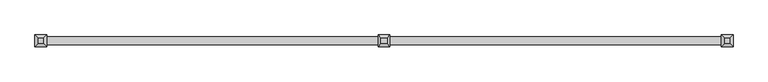
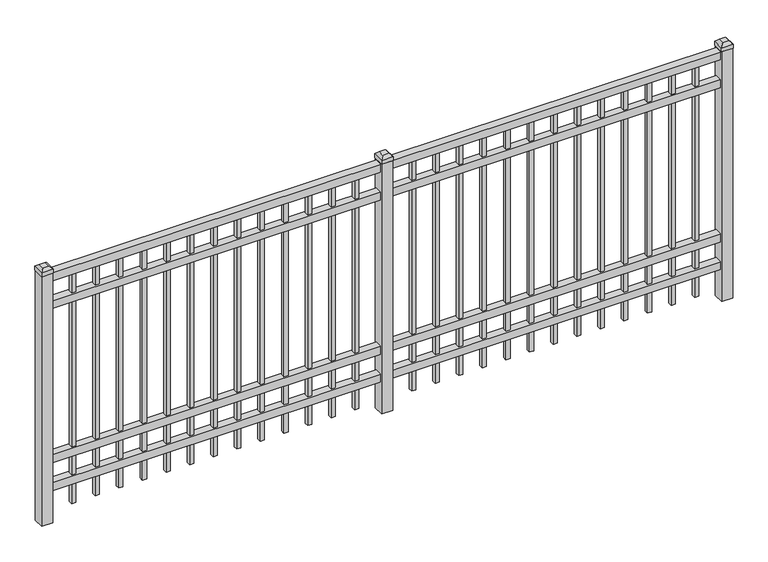
"""IFC4 building model written with IfcOpenShell, lengths in millimetres: railing geometry."""

from ifc_helpers import new_model, si_unit, frame, origin, origin_with_axes, place, context, project, spatial, polyline, outline, extrude, faceted_brep, source, transform, mapped, element, save


def railing_17bbb3de(model_context):
    return source(origin(), model_context, "Body", "SolidModel", [
        extrude(outline(polyline([(-79633.318087, -6748.7195174), (-79633.318087, -6713.7945174), (-76483.718087, -6713.7945174), (-76483.718087, -6748.7195174), (-79633.318087, -6748.7195174)])), frame((0.0, 0.0, 1181.1), z_axis=(0.0, 0.0, 1.0), x_axis=(1.0, 0.0, 0.0)), (0.0, 0.0, 1.0), 38.1),
        extrude(outline(polyline([(-79633.318087, -6748.7195174), (-79633.318087, -6713.7945174), (-76483.718087, -6713.7945174), (-76483.718087, -6748.7195174), (-79633.318087, -6748.7195174)])), frame((0.0, 0.0, 1044.575), z_axis=(0.0, 0.0, 1.0), x_axis=(1.0, 0.0, 0.0)), (0.0, 0.0, 1.0), 38.1),
        extrude(outline(polyline([(-79633.318087, -6748.7195174), (-79633.318087, -6713.7945174), (-76483.718087, -6713.7945174), (-76483.718087, -6748.7195174), (-79633.318087, -6748.7195174)])), frame((0.0, 0.0, 288.925), z_axis=(0.0, 0.0, 1.0), x_axis=(1.0, 0.0, 0.0)), (0.0, 0.0, 1.0), 38.1),
        extrude(outline(polyline([(-79633.318087, -6748.7195174), (-79633.318087, -6713.7945174), (-76483.718087, -6713.7945174), (-76483.718087, -6748.7195174), (-79633.318087, -6748.7195174)])), frame((0.0, 0.0, 152.4), z_axis=(0.0, 0.0, 1.0), x_axis=(1.0, 0.0, 0.0)), (0.0, 0.0, 1.0), 38.1),
        extrude(outline(polyline([(-76715.2285036, -6721.7320174), (-76715.2285036, -6740.7820174), (-76734.2785036, -6740.7820174), (-76734.2785036, -6721.7320174), (-76715.2285036, -6721.7320174)])), frame((0.0, 0.0, 50.8), z_axis=(0.0, 0.0, 1.0), x_axis=(1.0, 0.0, 0.0)), (0.0, 0.0, 1.0), 1130.3),
        extrude(outline(polyline([(-76824.5014203, -6721.7320174), (-76824.5014203, -6740.7820174), (-76843.5514203, -6740.7820174), (-76843.5514203, -6721.7320174), (-76824.5014203, -6721.7320174)])), frame((0.0, 0.0, 50.8), z_axis=(0.0, 0.0, 1.0), x_axis=(1.0, 0.0, 0.0)), (0.0, 0.0, 1.0), 1130.3),
        extrude(outline(polyline([(-76933.774337, -6721.7320174), (-76933.774337, -6740.7820174), (-76952.824337, -6740.7820174), (-76952.824337, -6721.7320174), (-76933.774337, -6721.7320174)])), frame((0.0, 0.0, 50.8), z_axis=(0.0, 0.0, 1.0), x_axis=(1.0, 0.0, 0.0)), (0.0, 0.0, 1.0), 1130.3),
        extrude(outline(polyline([(-77043.0472536, -6721.7320174), (-77043.0472536, -6740.7820174), (-77062.0972536, -6740.7820174), (-77062.0972536, -6721.7320174), (-77043.0472536, -6721.7320174)])), frame((0.0, 0.0, 50.8), z_axis=(0.0, 0.0, 1.0), x_axis=(1.0, 0.0, 0.0)), (0.0, 0.0, 1.0), 1130.3),
        extrude(outline(polyline([(-77152.3201703, -6721.7320174), (-77152.3201703, -6740.7820174), (-77171.3701703, -6740.7820174), (-77171.3701703, -6721.7320174), (-77152.3201703, -6721.7320174)])), frame((0.0, 0.0, 50.8), z_axis=(0.0, 0.0, 1.0), x_axis=(1.0, 0.0, 0.0)), (0.0, 0.0, 1.0), 1130.3),
        extrude(outline(polyline([(-77261.593087, -6721.7320174), (-77261.593087, -6740.7820174), (-77280.643087, -6740.7820174), (-77280.643087, -6721.7320174), (-77261.593087, -6721.7320174)])), frame((0.0, 0.0, 50.8), z_axis=(0.0, 0.0, 1.0), x_axis=(1.0, 0.0, 0.0)), (0.0, 0.0, 1.0), 1130.3),
        extrude(outline(polyline([(-77370.8660036, -6721.7320174), (-77370.8660036, -6740.7820174), (-77389.9160036, -6740.7820174), (-77389.9160036, -6721.7320174), (-77370.8660036, -6721.7320174)])), frame((0.0, 0.0, 50.8), z_axis=(0.0, 0.0, 1.0), x_axis=(1.0, 0.0, 0.0)), (0.0, 0.0, 1.0), 1130.3),
        extrude(outline(polyline([(-77480.1389203, -6721.7320174), (-77480.1389203, -6740.7820174), (-77499.1889203, -6740.7820174), (-77499.1889203, -6721.7320174), (-77480.1389203, -6721.7320174)])), frame((0.0, 0.0, 50.8), z_axis=(0.0, 0.0, 1.0), x_axis=(1.0, 0.0, 0.0)), (0.0, 0.0, 1.0), 1130.3),
        extrude(outline(polyline([(-77589.411837, -6721.7320174), (-77589.411837, -6740.7820174), (-77608.461837, -6740.7820174), (-77608.461837, -6721.7320174), (-77589.411837, -6721.7320174)])), frame((0.0, 0.0, 50.8), z_axis=(0.0, 0.0, 1.0), x_axis=(1.0, 0.0, 0.0)), (0.0, 0.0, 1.0), 1130.3),
        extrude(outline(polyline([(-77698.6847536, -6721.7320174), (-77698.6847536, -6740.7820174), (-77717.7347536, -6740.7820174), (-77717.7347536, -6721.7320174), (-77698.6847536, -6721.7320174)])), frame((0.0, 0.0, 50.8), z_axis=(0.0, 0.0, 1.0), x_axis=(1.0, 0.0, 0.0)), (0.0, 0.0, 1.0), 1130.3),
        extrude(outline(polyline([(-77807.9576703, -6721.7320174), (-77807.9576703, -6740.7820174), (-77827.0076703, -6740.7820174), (-77827.0076703, -6721.7320174), (-77807.9576703, -6721.7320174)])), frame((0.0, 0.0, 50.8), z_axis=(0.0, 0.0, 1.0), x_axis=(1.0, 0.0, 0.0)), (0.0, 0.0, 1.0), 1130.3),
        extrude(outline(polyline([(-76605.955587, -6721.7320174), (-76605.955587, -6740.7820174), (-76625.005587, -6740.7820174), (-76625.005587, -6721.7320174), (-76605.955587, -6721.7320174)])), frame((0.0, 0.0, 50.8), z_axis=(0.0, 0.0, 1.0), x_axis=(1.0, 0.0, 0.0)), (0.0, 0.0, 1.0), 1130.3),
        extrude(outline(polyline([(-77917.230587, -6721.7320174), (-77917.230587, -6740.7820174), (-77936.280587, -6740.7820174), (-77936.280587, -6721.7320174), (-77917.230587, -6721.7320174)])), frame((0.0, 0.0, 50.8), z_axis=(0.0, 0.0, 1.0), x_axis=(1.0, 0.0, 0.0)), (0.0, 0.0, 1.0), 1130.3),
        extrude(outline(polyline([(-78033.118087, -6705.8570174), (-78033.118087, -6756.6570174), (-78083.918087, -6756.6570174), (-78083.918087, -6705.8570174), (-78033.118087, -6705.8570174)])), origin_with_axes(), (0.0, 0.0, 1.0), 1225.55),
        faceted_brep([(-78085.505587, -6704.2695174, 1244.6), (-78085.505587, -6704.2695174, 1225.55), (-78085.505587, -6758.2445174, 1225.55), (-78085.505587, -6758.2445174, 1244.6), (-78072.805587, -6716.9695174, 1257.3), (-78072.805587, -6745.5445174, 1257.3), (-78031.530587, -6758.2445174, 1225.55), (-78031.530587, -6758.2445174, 1244.6), (-78044.230587, -6745.5445174, 1257.3), (-78031.530587, -6704.2695174, 1225.55), (-78031.530587, -6704.2695174, 1244.6), (-78044.230587, -6716.9695174, 1257.3)], [[[0, 1, 2, 3]], [[4, 0, 3, 5]], [[3, 2, 6, 7]], [[5, 3, 7, 8]], [[7, 6, 9, 10]], [[8, 7, 10, 11]], [[10, 9, 1, 0]], [[11, 10, 0, 4]], [[5, 8, 11, 4]], [[1, 9, 6, 2]]]),
        extrude(outline(polyline([(-78290.0285036, -6721.7320174), (-78290.0285036, -6740.7820174), (-78309.0785036, -6740.7820174), (-78309.0785036, -6721.7320174), (-78290.0285036, -6721.7320174)])), frame((0.0, 0.0, 50.8), z_axis=(0.0, 0.0, 1.0), x_axis=(1.0, 0.0, 0.0)), (0.0, 0.0, 1.0), 1130.3),
        extrude(outline(polyline([(-78399.3014203, -6721.7320174), (-78399.3014203, -6740.7820174), (-78418.3514203, -6740.7820174), (-78418.3514203, -6721.7320174), (-78399.3014203, -6721.7320174)])), frame((0.0, 0.0, 50.8), z_axis=(0.0, 0.0, 1.0), x_axis=(1.0, 0.0, 0.0)), (0.0, 0.0, 1.0), 1130.3),
        extrude(outline(polyline([(-78508.574337, -6721.7320174), (-78508.574337, -6740.7820174), (-78527.624337, -6740.7820174), (-78527.624337, -6721.7320174), (-78508.574337, -6721.7320174)])), frame((0.0, 0.0, 50.8), z_axis=(0.0, 0.0, 1.0), x_axis=(1.0, 0.0, 0.0)), (0.0, 0.0, 1.0), 1130.3),
        extrude(outline(polyline([(-78617.8472536, -6721.7320174), (-78617.8472536, -6740.7820174), (-78636.8972536, -6740.7820174), (-78636.8972536, -6721.7320174), (-78617.8472536, -6721.7320174)])), frame((0.0, 0.0, 50.8), z_axis=(0.0, 0.0, 1.0), x_axis=(1.0, 0.0, 0.0)), (0.0, 0.0, 1.0), 1130.3),
        extrude(outline(polyline([(-78727.1201703, -6721.7320174), (-78727.1201703, -6740.7820174), (-78746.1701703, -6740.7820174), (-78746.1701703, -6721.7320174), (-78727.1201703, -6721.7320174)])), frame((0.0, 0.0, 50.8), z_axis=(0.0, 0.0, 1.0), x_axis=(1.0, 0.0, 0.0)), (0.0, 0.0, 1.0), 1130.3),
        extrude(outline(polyline([(-78836.393087, -6721.7320174), (-78836.393087, -6740.7820174), (-78855.443087, -6740.7820174), (-78855.443087, -6721.7320174), (-78836.393087, -6721.7320174)])), frame((0.0, 0.0, 50.8), z_axis=(0.0, 0.0, 1.0), x_axis=(1.0, 0.0, 0.0)), (0.0, 0.0, 1.0), 1130.3),
        extrude(outline(polyline([(-78945.6660036, -6721.7320174), (-78945.6660036, -6740.7820174), (-78964.7160036, -6740.7820174), (-78964.7160036, -6721.7320174), (-78945.6660036, -6721.7320174)])), frame((0.0, 0.0, 50.8), z_axis=(0.0, 0.0, 1.0), x_axis=(1.0, 0.0, 0.0)), (0.0, 0.0, 1.0), 1130.3),
        extrude(outline(polyline([(-79054.9389203, -6721.7320174), (-79054.9389203, -6740.7820174), (-79073.9889203, -6740.7820174), (-79073.9889203, -6721.7320174), (-79054.9389203, -6721.7320174)])), frame((0.0, 0.0, 50.8), z_axis=(0.0, 0.0, 1.0), x_axis=(1.0, 0.0, 0.0)), (0.0, 0.0, 1.0), 1130.3),
        extrude(outline(polyline([(-79164.211837, -6721.7320174), (-79164.211837, -6740.7820174), (-79183.261837, -6740.7820174), (-79183.261837, -6721.7320174), (-79164.211837, -6721.7320174)])), frame((0.0, 0.0, 50.8), z_axis=(0.0, 0.0, 1.0), x_axis=(1.0, 0.0, 0.0)), (0.0, 0.0, 1.0), 1130.3),
        extrude(outline(polyline([(-79273.4847536, -6721.7320174), (-79273.4847536, -6740.7820174), (-79292.5347536, -6740.7820174), (-79292.5347536, -6721.7320174), (-79273.4847536, -6721.7320174)])), frame((0.0, 0.0, 50.8), z_axis=(0.0, 0.0, 1.0), x_axis=(1.0, 0.0, 0.0)), (0.0, 0.0, 1.0), 1130.3),
        extrude(outline(polyline([(-79382.7576703, -6721.7320174), (-79382.7576703, -6740.7820174), (-79401.8076703, -6740.7820174), (-79401.8076703, -6721.7320174), (-79382.7576703, -6721.7320174)])), frame((0.0, 0.0, 50.8), z_axis=(0.0, 0.0, 1.0), x_axis=(1.0, 0.0, 0.0)), (0.0, 0.0, 1.0), 1130.3),
        extrude(outline(polyline([(-78180.755587, -6721.7320174), (-78180.755587, -6740.7820174), (-78199.805587, -6740.7820174), (-78199.805587, -6721.7320174), (-78180.755587, -6721.7320174)])), frame((0.0, 0.0, 50.8), z_axis=(0.0, 0.0, 1.0), x_axis=(1.0, 0.0, 0.0)), (0.0, 0.0, 1.0), 1130.3),
        extrude(outline(polyline([(-79492.030587, -6721.7320174), (-79492.030587, -6740.7820174), (-79511.080587, -6740.7820174), (-79511.080587, -6721.7320174), (-79492.030587, -6721.7320174)])), frame((0.0, 0.0, 50.8), z_axis=(0.0, 0.0, 1.0), x_axis=(1.0, 0.0, 0.0)), (0.0, 0.0, 1.0), 1130.3),
        extrude(outline(polyline([(-76458.318087, -6705.8570174), (-76458.318087, -6756.6570174), (-76509.118087, -6756.6570174), (-76509.118087, -6705.8570174), (-76458.318087, -6705.8570174)])), origin_with_axes(), (0.0, 0.0, 1.0), 1225.55),
        faceted_brep([(-76510.705587, -6704.2695174, 1244.6), (-76510.705587, -6704.2695174, 1225.55), (-76510.705587, -6758.2445174, 1225.55), (-76510.705587, -6758.2445174, 1244.6), (-76498.005587, -6716.9695174, 1257.3), (-76498.005587, -6745.5445174, 1257.3), (-76456.730587, -6758.2445174, 1225.55), (-76456.730587, -6758.2445174, 1244.6), (-76469.430587, -6745.5445174, 1257.3), (-76456.730587, -6704.2695174, 1225.55), (-76456.730587, -6704.2695174, 1244.6), (-76469.430587, -6716.9695174, 1257.3)], [[[0, 1, 2, 3]], [[4, 0, 3, 5]], [[3, 2, 6, 7]], [[5, 3, 7, 8]], [[7, 6, 9, 10]], [[8, 7, 10, 11]], [[10, 9, 1, 0]], [[11, 10, 0, 4]], [[5, 8, 11, 4]], [[1, 9, 6, 2]]]),
        extrude(outline(polyline([(-79607.918087, -6705.8570174), (-79607.918087, -6756.6570174), (-79658.718087, -6756.6570174), (-79658.718087, -6705.8570174), (-79607.918087, -6705.8570174)])), origin_with_axes(), (0.0, 0.0, 1.0), 1225.55),
        faceted_brep([(-79660.305587, -6704.2695174, 1244.6), (-79660.305587, -6704.2695174, 1225.55), (-79660.305587, -6758.2445174, 1225.55), (-79660.305587, -6758.2445174, 1244.6), (-79647.605587, -6716.9695174, 1257.3), (-79647.605587, -6745.5445174, 1257.3), (-79606.330587, -6758.2445174, 1225.55), (-79606.330587, -6758.2445174, 1244.6), (-79619.030587, -6745.5445174, 1257.3), (-79606.330587, -6704.2695174, 1225.55), (-79606.330587, -6704.2695174, 1244.6), (-79619.030587, -6716.9695174, 1257.3)], [[[0, 1, 2, 3]], [[4, 0, 3, 5]], [[3, 2, 6, 7]], [[5, 3, 7, 8]], [[7, 6, 9, 10]], [[8, 7, 10, 11]], [[10, 9, 1, 0]], [[11, 10, 0, 4]], [[5, 8, 11, 4]], [[1, 9, 6, 2]]]),
    ])


if __name__ == "__main__":
    model = new_model("IFC4")
    model_context = context("Model", 3, world=origin())
    ifc_project = project(units=[si_unit("LENGTHUNIT", "METRE", prefix="MILLI")], contexts=[model_context])
    site = spatial("IfcSite", under=ifc_project)
    building = spatial("IfcBuilding", under=site)
    placement = place(None, origin())
    railing_shape = railing_17bbb3de(model_context)
    element("IfcRailing", 1, at=placement, inside=building, context=model_context, shape_type="MappedRepresentation", body=[
        mapped(railing_shape, transform((0.0, 0.0, 0.0), x_axis=(1.0, 0.0, 0.0), y_axis=(0.0, 1.0, 0.0), z_axis=(0.0, 0.0, 1.0))),
    ])
    save(model, "model.ifc")
